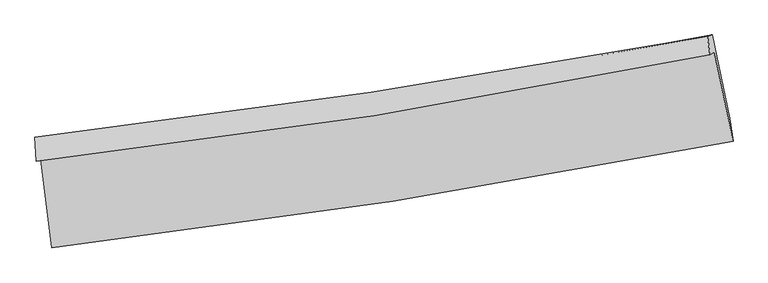
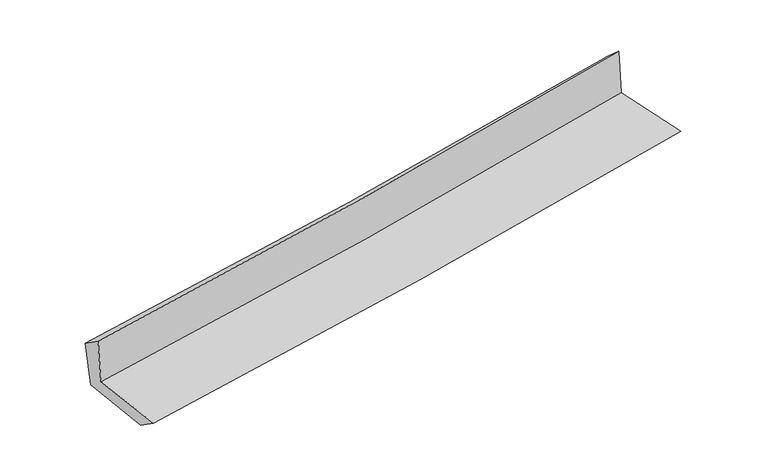
"""IFC4 building model written with IfcOpenShell, lengths in millimetres: proxy geometry."""

from ifc_helpers import new_model, si_unit, frame, origin, place, context, project, spatial, source, transform, mapped, element, save
from ifc_brep_helpers import plane_surface, spline_curve, spline_surface, advanced_brep


def generic_models_3d7eb434(model_context):
    return source(origin(), model_context, "Body", "AdvancedBrep", [
        advanced_brep(
        [(-2541.7903122, -1882.7812101, 1668.5868802), (-2461.5463211, -2543.8869043, 1657.1026199), (2627.8599083, -1747.8860229, 2104.4319414), (2488.5513598, -1086.8735987, 2110.8743926), (-2575.1203785, -1897.9035942, 2065.0481364), (2454.7028932, -1102.1101626, 2517.3660752), (-2585.7444631, -1721.3723753, 1946.2396347), (2437.1048696, -964.2663173, 2393.0446163), (-2549.266776, -1738.9441891, 1558.4698112), (2470.6182325, -955.6076723, 2005.3770907), (-2471.8098198, -2368.5292129, 1535.8127097), (2603.1052659, -1578.9168234, 1986.9638509)],
        [
            (0, 1),
            (1, 2, spline_curve(3, [(-2461.5463211, -2543.8869043, 1657.1026199), (-1610.070842443, -2446.465756285, 1741.278805059), (-760.92482765, -2331.562697165, 1820.589877991), (935.559629146, -2066.34699669, 1969.73247004), (1782.882357672, -1915.916428548, 2039.531170989), (2627.8599083, -1747.8860229, 2104.4319414)], [4, 2, 4], [0.0, 8.42231176495453, 16.872982684611927])),
            (2, 3),
            (3, 0, spline_curve(3, [(2488.5513598, -1086.8735987, 2110.8743926), (1654.009610014, -1257.940560267, 2046.779780984), (816.834618082, -1409.879055453, 1977.805046456), (-859.963583131, -1675.05342387, 1830.343176712), (-1699.56914843, -1788.417465412, 1751.888740403), (-2541.7903122, -1882.7812101, 1668.5868802)], [4, 2, 4], [0.0, 8.450670919657396, 16.872982684611927])),
            (4, 0),
            (3, 5),
            (5, 4, spline_curve(3, [(2454.7028932, -1102.1101626, 2517.3660752), (1620.237263339, -1273.092931431, 2451.616063413), (783.143612271, -1424.979854206, 2380.976338885), (-893.481753612, -1690.11638092, 2230.170929316), (-1732.995860015, -1803.493935569, 2150.038007714), (-2575.1203785, -1897.9035942, 2065.0481364)], [4, 2, 4], [0.0, 8.403039155331332, 16.777879000850948])),
            (6, 4),
            (5, 7),
            (7, 6, spline_curve(3, [(2437.1048696, -964.2663173, 2393.0446163), (1602.403386701, -1117.636671533, 2317.060195112), (765.775124327, -1257.497393634, 2241.772825339), (-908.520896898, -1509.775559298, 2092.842501923), (-1746.175745317, -1622.283523195, 2019.194877931), (-2585.7444631, -1721.3723753, 1946.2396347)], [4, 2, 4], [0.0, 8.391583083386758, 16.75500530178111])),
            (8, 6),
            (7, 9),
            (9, 8, spline_curve(3, [(2470.6182325, -955.6076723, 2005.3770907), (1639.013515546, -1128.427885372, 1932.396094758), (804.178891973, -1280.19041752, 1858.59936022), (-869.137752625, -1541.161494059, 1709.62480119), (-1707.598131903, -1650.51113428, 1634.452442675), (-2549.266776, -1738.9441891, 1558.4698112)], [4, 2, 4], [0.0, 8.381809441063108, 16.735490815977514])),
            (10, 8),
            (9, 11),
            (11, 10, spline_curve(3, [(2603.1052659, -1578.9168234, 1986.9638509), (1762.573742443, -1754.081442952, 1913.051521561), (918.681949565, -1907.538957091, 1838.435057831), (-772.978927868, -2170.597639757, 1688.046625937), (-1620.725496641, -2280.344255596, 1612.279376101), (-2471.8098198, -2368.5292129, 1535.8127097)], [4, 2, 4], [0.0, 8.429394009291828, 16.830500265926663])),
            (1, 10),
            (11, 2),
        ],
        [
            spline_surface(3, 3, [[(-2541.7903122, -1882.7812101, 1668.5868802), (-1699.569148452, -1788.417465527, 1751.888740513), (-859.963583116, -1675.053423741, 1830.343176709), (816.834618067, -1409.879055583, 1977.805046459), (1654.009610084, -1257.940560235, 2046.779781022), (2488.5513598, -1086.8735987, 2110.8743926)], [(-2515.042315178, -2103.149774841, 1664.758793452), (-1669.736379786, -2007.766895823, 1748.352095362), (-826.950664618, -1893.88984823, 1827.092077145), (856.409621781, -1628.701702577, 1975.114187672), (1696.96719257, -1477.265849698, 2044.36357765), (2534.98754263, -1307.211073427, 2108.726908863)], [(-2488.294318122, -2323.518339559, 1660.930706648), (-1639.903611086, -2227.116326096, 1744.815450156), (-793.937746166, -2112.72627276, 1823.84097754), (895.984625451, -1847.524349612, 1972.423328843), (1739.924775065, -1696.591139181, 2041.94737429), (2581.42372547, -1527.548548173, 2106.579425137)], [(-2461.5463211, -2543.8869043, 1657.1026199), (-1610.07084242, -2446.465756392, 1741.278805005), (-760.924827669, -2331.562697249, 1820.589877976), (935.559629165, -2066.346996606, 1969.732470055), (1782.882357551, -1915.916428644, 2039.531170919), (2627.8599083, -1747.8860229, 2104.4319414)]], [4, 4], [4, 2, 4], [0.0, 2.1834700100320243], [0.0, 8.42231176495453, 16.872982684611927]),
            spline_surface(3, 3, [[(-2575.1203785, -1897.9035942, 2065.0481364), (-1732.995860135, -1803.49393547, 2150.038007653), (-893.481753717, -1690.11638095, 2230.170929363), (783.143612377, -1424.979854175, 2380.976338837), (1620.237263217, -1273.092931457, 2451.616063348), (2454.7028932, -1102.1101626, 2517.3660752)], [(-2564.010356388, -1892.862799523, 1932.894384327), (-1721.853622895, -1798.468445511, 2017.321585266), (-882.309030197, -1685.095395203, 2096.895011813), (794.373947593, -1419.946254634, 2246.585908045), (1631.494712187, -1268.042141053, 2316.670635898), (2465.985715414, -1097.03130797, 2381.868847659)], [(-2552.900334312, -1887.822004777, 1800.740632273), (-1710.711385692, -1793.442955485, 1884.6051629), (-871.136306636, -1680.074409489, 1963.619094259), (805.604282851, -1414.912655125, 2112.195477251), (1642.752161114, -1262.991350639, 2181.725208472), (2477.268537586, -1091.95245333, 2246.371620141)], [(-2541.7903122, -1882.7812101, 1668.5868802), (-1699.569148452, -1788.417465527, 1751.888740513), (-859.963583116, -1675.053423741, 1830.343176709), (816.834618067, -1409.879055583, 1977.805046459), (1654.009610084, -1257.940560235, 2046.779781022), (2488.5513598, -1086.8735987, 2110.8743926)]], [4, 4], [4, 2, 4], [0.0, 1.3228057261822932], [0.0, 8.374839845519617, 16.777879000850948]),
            spline_surface(3, 3, [[(-2585.7444631, -1721.3723753, 1946.2396347), (-1746.175745435, -1622.28352306, 2019.194877908), (-908.520896878, -1509.7755593, 2092.842501965), (765.775124306, -1257.497393631, 2241.772825297), (1602.403386586, -1117.636671452, 2317.060195086), (2437.1048696, -964.2663173, 2393.0446163)], [(-2582.203101548, -1780.216114904, 1985.842468597), (-1741.782450316, -1682.686993834, 2062.809254487), (-903.507849152, -1569.889166534, 2138.618644435), (771.564620335, -1313.324880496, 2288.173996481), (1608.348012104, -1169.455424807, 2361.912151183), (2442.970877442, -1010.214265753, 2434.48510261)], [(-2578.661740052, -1839.059854596, 2025.445302503), (-1737.389155254, -1743.090464696, 2106.423631074), (-898.494801442, -1630.002773717, 2184.394786893), (777.354116348, -1369.15236731, 2334.575167653), (1614.292637698, -1221.274178102, 2406.764107251), (2448.836885358, -1056.162214147, 2475.92558889)], [(-2575.1203785, -1897.9035942, 2065.0481364), (-1732.995860135, -1803.49393547, 2150.038007653), (-893.481753717, -1690.11638095, 2230.170929363), (783.143612377, -1424.979854175, 2380.976338837), (1620.237263217, -1273.092931457, 2451.616063348), (2454.7028932, -1102.1101626, 2517.3660752)]], [4, 4], [4, 2, 4], [0.0, 0.7308158565395657], [0.0, 8.363422218394353, 16.75500530178111]),
            spline_surface(3, 3, [[(-2549.266776, -1738.9441891, 1558.4698112), (-1707.598131863, -1650.511134354, 1634.452442687), (-869.137752629, -1541.16149416, 1709.624801227), (804.178891977, -1280.190417419, 1858.599360183), (1639.013515566, -1128.427885387, 1932.396094834), (2470.6182325, -955.6076723, 2005.3770907)], [(-2561.426005061, -1733.086917833, 1687.726419019), (-1720.457336415, -1641.101930589, 1762.699921079), (-882.265467385, -1530.699515856, 1837.3640348), (791.377636081, -1272.626076139, 1986.323848548), (1626.810139238, -1124.830814065, 2060.617461592), (2459.447111532, -958.49388729, 2134.599599241)], [(-2573.585234039, -1727.229646567, 1816.983026881), (-1733.316540883, -1631.692726825, 1890.947399515), (-895.393182122, -1520.237537604, 1965.103268392), (778.576380203, -1265.061734911, 2114.048336932), (1614.606762914, -1121.233742774, 2188.838828328), (2448.275990568, -961.38010231, 2263.822107759)], [(-2585.7444631, -1721.3723753, 1946.2396347), (-1746.175745435, -1622.28352306, 2019.194877908), (-908.520896878, -1509.7755593, 2092.842501965), (765.775124306, -1257.497393631, 2241.772825297), (1602.403386586, -1117.636671452, 2317.060195086), (2437.1048696, -964.2663173, 2393.0446163)]], [4, 4], [4, 2, 4], [0.0, 1.2667684379647777], [0.0, 8.353681374914405, 16.735490815977514]),
            spline_surface(3, 3, [[(-2471.8098198, -2368.5292129, 1535.8127097), (-1620.725496608, -2280.344255694, 1612.279375968), (-772.978927734, -2170.597639864, 1688.046626018), (918.68194943, -1907.538956985, 1838.43505775), (1762.573742439, -1754.081443014, 1913.051521444), (2603.1052659, -1578.9168234, 1986.9638509)], [(-2497.628805181, -2158.667538315, 1543.365076863), (-1649.683041674, -2070.399881929, 1619.670398204), (-805.03186936, -1960.785591293, 1695.239351089), (880.514263618, -1698.422777127, 1845.156491895), (1721.387000164, -1545.53025715, 1919.499712563), (2558.942921449, -1371.147106378, 1993.10159749)], [(-2523.447790619, -1948.805863685, 1550.917444037), (-1678.640586797, -1860.455508118, 1627.061420451), (-837.084811003, -1750.973542731, 1702.432076156), (842.34657779, -1489.306597277, 1851.877926038), (1680.200257842, -1336.979071252, 1925.947903714), (2514.780576951, -1163.377389322, 1999.23934411)], [(-2549.266776, -1738.9441891, 1558.4698112), (-1707.598131863, -1650.511134354, 1634.452442687), (-869.137752629, -1541.16149416, 1709.624801227), (804.178891977, -1280.190417419, 1858.599360183), (1639.013515566, -1128.427885387, 1932.396094834), (2470.6182325, -955.6076723, 2005.3770907)]], [4, 4], [4, 2, 4], [0.0, 2.0915428492331736], [0.0, 8.401106256634835, 16.830500265926663]),
            spline_surface(3, 3, [[(-2461.5463211, -2543.8869043, 1657.1026199), (-1610.07084242, -2446.465756392, 1741.278805005), (-760.924827669, -2331.562697249, 1820.589877976), (935.559629165, -2066.346996606, 1969.732470055), (1782.882357551, -1915.916428644, 2039.531170919), (2627.8599083, -1747.8860229, 2104.4319414)], [(-2464.967487344, -2485.434340484, 1616.672649843), (-1613.622393826, -2391.09192281, 1698.278995335), (-764.942861029, -2277.907678148, 1776.408793977), (929.933735914, -2013.410983427, 1925.96666594), (1776.11281918, -1861.971433416, 1997.371287765), (2619.608360833, -1691.562956382, 2065.275911238)], [(-2468.388653556, -2426.981776716, 1576.242679757), (-1617.173945201, -2335.718089275, 1655.279185638), (-768.960894373, -2224.252658964, 1732.227710018), (924.30784268, -1960.474970164, 1882.200861865), (1769.34328081, -1808.026438242, 1955.211404597), (2611.356813367, -1635.239889918, 2026.119881062)], [(-2471.8098198, -2368.5292129, 1535.8127097), (-1620.725496608, -2280.344255694, 1612.279375968), (-772.978927734, -2170.597639864, 1688.046626018), (918.68194943, -1907.538956985, 1838.43505775), (1762.573742439, -1754.081443014, 1913.051521444), (2603.1052659, -1578.9168234, 1986.9638509)]], [4, 4], [4, 2, 4], [0.0, 0.6817082361384138], [0.0, 8.458292776053051, 16.945065860132257]),
            plane_surface(frame((2513.6570882, -1239.2767662, 2186.3429945), z_axis=(0.974810820006897, 0.204575777251177, 0.08884039936626759), x_axis=(-0.08610617556102737, -0.022246732026614965, 0.9960375542339704))),
            plane_surface(frame((-2530.8796784, -2025.569581, 1738.5432987), z_axis=(-0.9890725832205947, -0.11852914214335446, -0.08767136125383443), x_axis=(-0.12047618947394037, 0.9925664691147361, 0.0172421622467953))),
        ],
        [
            (0, [[1, 2, 3, 4]]),
            (1, [[5, -4, 6, 7]]),
            (2, [[8, -7, 9, 10]]),
            (3, [[11, -10, 12, 13]]),
            (4, [[14, -13, 15, 16]]),
            (5, [[17, -16, 18, -2]]),
            (6, [[-12, -9, -6, -3, -18, -15]]),
            (7, [[-1, -5, -8, -11, -14, -17]]),
        ],
    ),
    ])


if __name__ == "__main__":
    model = new_model("IFC4")
    model_context = context("Model", 3, world=origin())
    ifc_project = project(units=[si_unit("LENGTHUNIT", "METRE", prefix="MILLI")], contexts=[model_context])
    site = spatial("IfcSite", under=ifc_project)
    building = spatial("IfcBuilding", under=site)
    placement = place(None, origin())
    generic_models_shape = generic_models_3d7eb434(model_context)
    element("IfcBuildingElementProxy", 1, Name="Generic Models", at=placement, inside=building, context=model_context, shape_type="MappedRepresentation", body=[
        mapped(generic_models_shape, transform((0.0, 0.0, 0.0), x_axis=(1.0, 0.0, 0.0), y_axis=(0.0, 1.0, 0.0), z_axis=(0.0, 0.0, 1.0))),
    ])
    save(model, "model.ifc")
